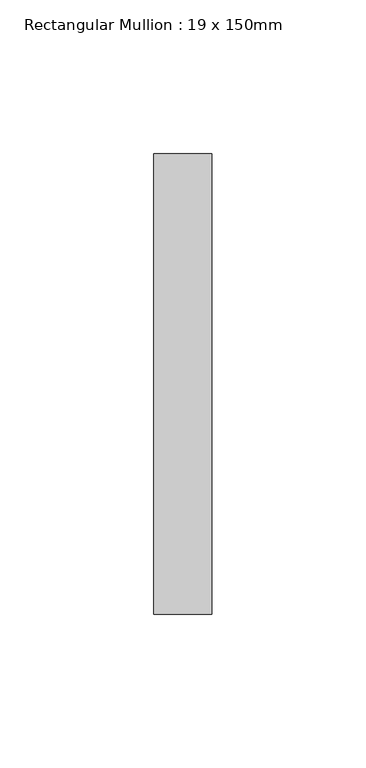
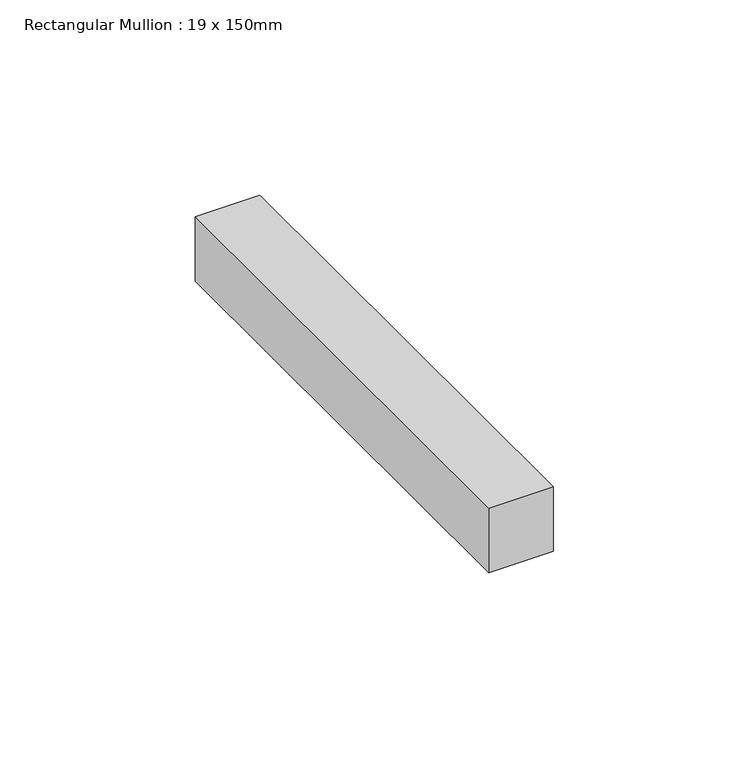
"""IFC4 building model written with IfcOpenShell, lengths in millimetres: member geometry, Rectangular Mullion : 19 x 150mm."""

from ifc_helpers import new_model, si_unit, frame, origin, place, context, project, spatial, polyline, outline, extrude, source, transform, mapped, element, save


def rectangular_mullion_19_x_150mm_913689e1(model_context):
    return source(origin(), model_context, "Body", "SweptSolid", [
        extrude(outline(polyline([(9.5, -25.0), (9.5, -175.0), (-9.5, -175.0), (-9.5, -25.0), (9.5, -25.0)])), frame((0.0, 0.0, -20.0982523), z_axis=(0.0, 0.0, 1.0), x_axis=(1.0, 0.0, 0.0)), (0.0, 0.0, 1.0), 20.0982523),
    ])


if __name__ == "__main__":
    model = new_model("IFC4")
    model_context = context("Model", 3, world=origin())
    ifc_project = project(units=[si_unit("LENGTHUNIT", "METRE", prefix="MILLI")], contexts=[model_context])
    site = spatial("IfcSite", under=ifc_project)
    building = spatial("IfcBuilding", under=site)
    placement = place(None, origin())
    rectangular_mullion_19_x_150mm_shape = rectangular_mullion_19_x_150mm_913689e1(model_context)
    element("IfcMember", 1, ObjectType="Rectangular Mullion : 19 x 150mm", at=placement, inside=building, context=model_context, shape_type="MappedRepresentation", body=[
        mapped(rectangular_mullion_19_x_150mm_shape, transform((0.0, 0.0, 0.0), x_axis=(1.0, 0.0, 0.0), y_axis=(0.0, 1.0, 0.0), z_axis=(0.0, 0.0, 1.0))),
    ])
    save(model, "model.ifc")
